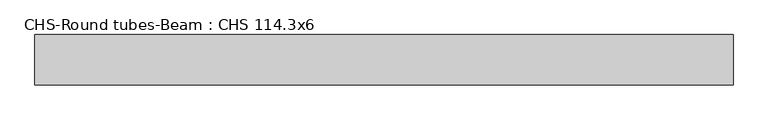
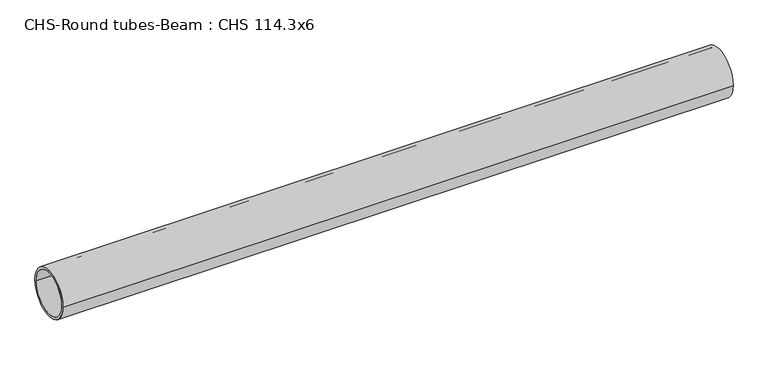
"""IFC4 building model written with IfcOpenShell, lengths in millimetres: beam geometry, CHS-Round tubes-Beam : CHS 114.3x6."""

from ifc_helpers import new_model, si_unit, point, frame, origin, origin_2d, place, context, project, spatial, circle_curve, trimmed, segment, composite_curve, outline, extrude, source, transform, mapped, element, save


def chs_round_tubes_beam_chs_114_3x6_cd008888(model_context):
    return source(origin(), model_context, "Body", "SweptSolid", [
        extrude(outline(composite_curve([segment(trimmed(circle_curve(origin_2d(), 57.15), [point((57.15, 0.0))], [point((-57.15, 0.0))], False, "CARTESIAN"), True, "CONTINUOUS"), segment(trimmed(circle_curve(origin_2d(), 57.15), [point((-57.15, 0.0))], [point((57.15, 0.0))], False, "CARTESIAN"), True, "CONTINUOUS")], self_intersect=False), holes=[composite_curve([segment(trimmed(circle_curve(origin_2d(), 51.15), [point((51.15, 0.0))], [point((-51.15, 0.0))], True, "CARTESIAN"), True, "CONTINUOUS"), segment(trimmed(circle_curve(origin_2d(), 51.15), [point((-51.15, 0.0))], [point((51.15, 0.0))], True, "CARTESIAN"), True, "CONTINUOUS")], self_intersect=False)]), frame((-785.7034551, 0.0, 0.0), z_axis=(1.0, 0.0, 0.0), x_axis=(0.0, 1.0, 0.0)), (0.0, 0.0, 1.0), 1583.1762489),
    ])


if __name__ == "__main__":
    model = new_model("IFC4")
    model_context = context("Model", 3, world=origin())
    ifc_project = project(units=[si_unit("LENGTHUNIT", "METRE", prefix="MILLI")], contexts=[model_context])
    site = spatial("IfcSite", under=ifc_project)
    building = spatial("IfcBuilding", under=site)
    placement = place(None, origin())
    chs_round_tubes_beam_chs_114_3x6_shape = chs_round_tubes_beam_chs_114_3x6_cd008888(model_context)
    element("IfcBeam", 1, ObjectType="CHS-Round tubes-Beam : CHS 114.3x6", at=placement, inside=building, context=model_context, shape_type="MappedRepresentation", body=[
        mapped(chs_round_tubes_beam_chs_114_3x6_shape, transform((0.0, 0.0, 0.0), x_axis=(1.0, 0.0, 0.0), y_axis=(0.0, 1.0, 0.0), z_axis=(0.0, 0.0, 1.0))),
    ])
    save(model, "model.ifc")
